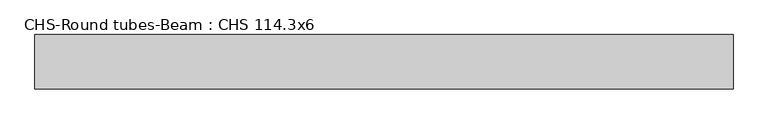
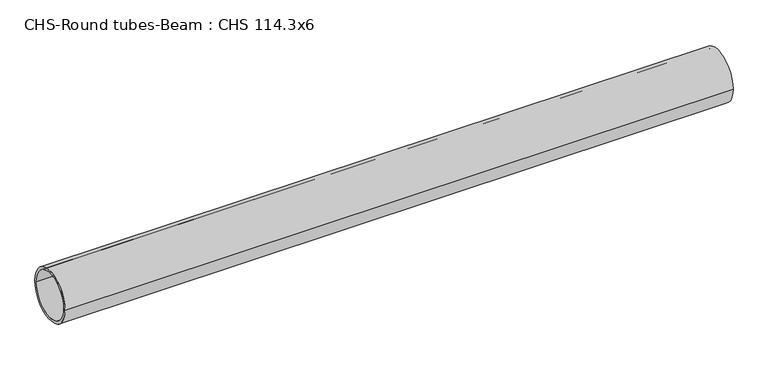
"""IFC4 building model written with IfcOpenShell, lengths in millimetres: beam geometry, CHS-Round tubes-Beam : CHS 114.3x6."""

from ifc_helpers import new_model, si_unit, point, frame, origin, origin_2d, place, context, project, spatial, circle_curve, trimmed, segment, composite_curve, outline, extrude, source, transform, mapped, element, save


def chs_round_tubes_beam_chs_114_3x6_0948bebb(model_context):
    return source(origin(), model_context, "Body", "SweptSolid", [
        extrude(outline(composite_curve([segment(trimmed(circle_curve(origin_2d(), 57.15), [point((57.15, 0.0))], [point((-57.15, 0.0))], False, "CARTESIAN"), True, "CONTINUOUS"), segment(trimmed(circle_curve(origin_2d(), 57.15), [point((-57.15, 0.0))], [point((57.15, 0.0))], False, "CARTESIAN"), True, "CONTINUOUS")], self_intersect=False), holes=[composite_curve([segment(trimmed(circle_curve(origin_2d(), 51.15), [point((51.15, 0.0))], [point((-51.15, 0.0))], True, "CARTESIAN"), True, "CONTINUOUS"), segment(trimmed(circle_curve(origin_2d(), 51.15), [point((-51.15, 0.0))], [point((51.15, 0.0))], True, "CARTESIAN"), True, "CONTINUOUS")], self_intersect=False)]), frame((-700.9438623, 0.0, 0.0), z_axis=(1.0, 0.0, 0.0), x_axis=(0.0, 1.0, 0.0)), (0.0, 0.0, 1.0), 1466.1879934),
    ])


if __name__ == "__main__":
    model = new_model("IFC4")
    model_context = context("Model", 3, world=origin())
    ifc_project = project(units=[si_unit("LENGTHUNIT", "METRE", prefix="MILLI")], contexts=[model_context])
    site = spatial("IfcSite", under=ifc_project)
    building = spatial("IfcBuilding", under=site)
    placement = place(None, origin())
    chs_round_tubes_beam_chs_114_3x6_shape = chs_round_tubes_beam_chs_114_3x6_0948bebb(model_context)
    element("IfcBeam", 1, ObjectType="CHS-Round tubes-Beam : CHS 114.3x6", at=placement, inside=building, context=model_context, shape_type="MappedRepresentation", body=[
        mapped(chs_round_tubes_beam_chs_114_3x6_shape, transform((0.0, 0.0, 0.0), x_axis=(1.0, 0.0, 0.0), y_axis=(0.0, 1.0, 0.0), z_axis=(0.0, 0.0, 1.0))),
    ])
    save(model, "model.ifc")
